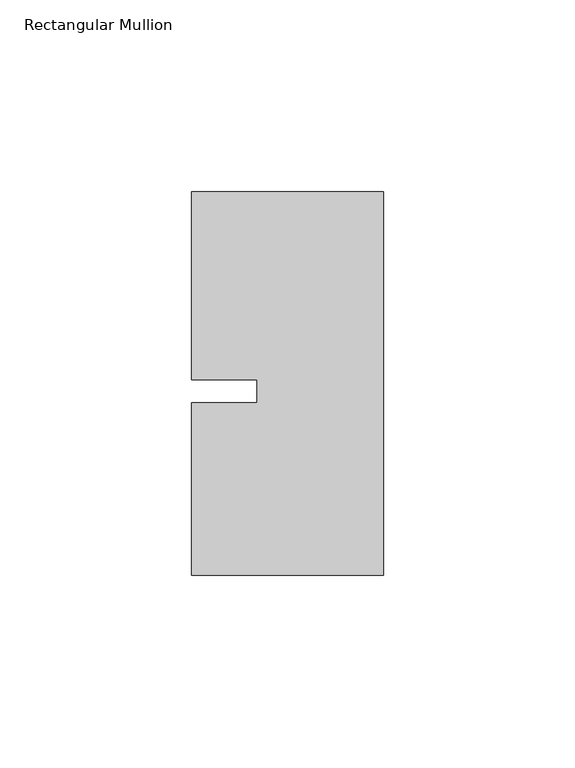
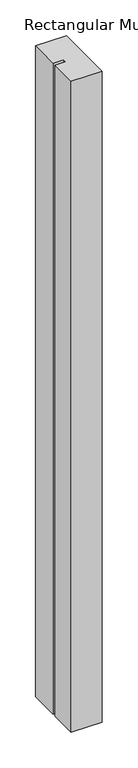
"""IFC4 building model written with IfcOpenShell, lengths in millimetres: member geometry, Rectangular Mullion."""

import ifcopenshell
import ifcopenshell.guid

model = None  # the IFC model being written
_history = None  # IfcOwnerHistory: only IFC2X3 demands one
_inside = {}  # id of a spatial element -> (the spatial element, [elements in it])
_under = {}  # id of a project, library or spatial element -> (it, [spatial elements below it])
_declared = {}  # id of a project -> (the project, [libraries it declares])
_typed = {}  # id of a type object -> (the type object, [elements of that type])
_made_of = {}  # id of a material, layer set ... -> (it, [elements and type objects made of it])


def new_model(schema):
    """Start an empty IFC model of exactly this schema.

    Asked for "IFC4X3", IfcOpenShell would pick the latest addendum, in which some entities
    have other attributes; the version numbers below select the first issue.
    IFC2X3 requires an IfcOwnerHistory on every rooted entity: one is made here for all.
    """
    global model, _history
    if schema == "IFC4X3":
        model = ifcopenshell.file(schema_version=(4, 3, 0, 0))
    else:
        model = ifcopenshell.file(schema=schema)
    _inside.clear()
    _under.clear()
    _declared.clear()
    _typed.clear()
    _made_of.clear()
    _history = None
    if model.schema == "IFC2X3":
        org = make("IfcOrganization", Name="unknown")
        user = make(
            "IfcPersonAndOrganization",
            ThePerson=make("IfcPerson", FamilyName="unknown"),
            TheOrganization=org,
        )
        app = make(
            "IfcApplication",
            ApplicationDeveloper=org,
            Version="unknown",
            ApplicationFullName="unknown",
            ApplicationIdentifier="unknown",
        )
        _history = make(
            "IfcOwnerHistory",
            OwningUser=user,
            OwningApplication=app,
            ChangeAction="ADDED",
            CreationDate=0,
        )
    return model


def make(cls, **values):
    """One entity of the class cls with the attributes given. An attribute that is None is left unset."""
    return model.create_entity(
        cls, **{name: value for name, value in values.items() if value is not None}
    )


def rooted(cls, **values):
    """An entity with a GlobalId (a new one), such as an element, a storey or a relation."""
    return make(cls, GlobalId=ifcopenshell.guid.new(), OwnerHistory=_history, **values)


def si_unit(unit_type, name, prefix=None):
    """IfcSIUnit, for example si_unit("LENGTHUNIT", "METRE", prefix="MILLI")."""
    return make("IfcSIUnit", UnitType=unit_type, Prefix=prefix, Name=name)


def assignment(units):
    """IfcUnitAssignment: the units of a project."""
    return None if units is None else make("IfcUnitAssignment", Units=units)


def point(xyz):
    """IfcCartesianPoint."""
    return None if xyz is None else make("IfcCartesianPoint", Coordinates=xyz)


def direction(xyz):
    """IfcDirection."""
    return None if xyz is None else make("IfcDirection", DirectionRatios=xyz)


def frame(location, z_axis=None, x_axis=None):
    """IfcAxis2Placement3D, a coordinate frame: its origin and axes. An axis left out is left unset."""
    return make(
        "IfcAxis2Placement3D",
        Location=point(location),
        Axis=direction(z_axis),
        RefDirection=direction(x_axis),
    )


def origin():
    """The frame at (0, 0, 0) with its axes left unset."""
    return frame((0.0, 0.0, 0.0))


def place(relative_to, where):
    """IfcLocalPlacement: puts the frame where relative to a parent placement (None: the world)."""
    return make(
        "IfcLocalPlacement", PlacementRelTo=relative_to, RelativePlacement=where
    )


def context(
    kind, dimensions, precision=None, world=None, true_north=None, identifier=None
):
    """IfcGeometricRepresentationContext, for example the 3D "Model" context."""
    return make(
        "IfcGeometricRepresentationContext",
        ContextIdentifier=identifier,
        ContextType=kind,
        CoordinateSpaceDimension=dimensions,
        Precision=precision,
        WorldCoordinateSystem=world,
        TrueNorth=true_north,
    )


def project(units=None, contexts=None):
    """IfcProject with its units and contexts."""
    return rooted(
        "IfcProject",
        Name="project",
        RepresentationContexts=contexts,
        UnitsInContext=assignment(units),
    )


def spatial(cls, under=None, at=None, **own):
    """A site, building, storey or space (cls), placed at a placement, below another one or the project."""
    s = rooted(cls, ObjectPlacement=at, **own)
    if under is not None:
        _under.setdefault(under.id(), (under, []))[1].append(s)
    return s


def polyline(points):
    """IfcPolyline through the points."""
    return make("IfcPolyline", Points=[point(p) for p in points])


def outline(outer, holes=None, kind="AREA"):
    """IfcArbitraryClosedProfileDef: a profile drawn as a closed curve; with holes, ...WithVoids."""
    if holes is None:
        return make("IfcArbitraryClosedProfileDef", ProfileType=kind, OuterCurve=outer)
    return make(
        "IfcArbitraryProfileDefWithVoids",
        ProfileType=kind,
        OuterCurve=outer,
        InnerCurves=holes,
    )


def extrude(swept, where, along, depth):
    """IfcExtrudedAreaSolid: the profile swept, set in the frame where, extruded along a direction by depth."""
    return make(
        "IfcExtrudedAreaSolid",
        SweptArea=swept,
        Position=where,
        ExtrudedDirection=direction(along),
        Depth=depth,
    )


def shape(context_of_items, identifier, shape_type, items):
    """IfcShapeRepresentation: the items that make up one representation, for example the "Body"."""
    return make(
        "IfcShapeRepresentation",
        ContextOfItems=context_of_items,
        RepresentationIdentifier=identifier,
        RepresentationType=shape_type,
        Items=items,
    )


def source(mapping_origin, context_of_items, identifier, shape_type, items):
    """IfcRepresentationMap: a shape defined once, which mapped items show again and again."""
    return make(
        "IfcRepresentationMap",
        MappingOrigin=mapping_origin,
        MappedRepresentation=shape(context_of_items, identifier, shape_type, items),
    )


def transform(
    local_origin,
    x_axis=None,
    y_axis=None,
    z_axis=None,
    scale=None,
    scale2=None,
    scale3=None,
    uniform=True,
):
    """IfcCartesianTransformationOperator3D, or its non-uniform kind. x_axis, y_axis, z_axis: its Axis1, 2, 3."""
    if uniform:
        return make(
            "IfcCartesianTransformationOperator3D",
            Axis1=direction(x_axis),
            Axis2=direction(y_axis),
            LocalOrigin=point(local_origin),
            Scale=scale,
            Axis3=direction(z_axis),
        )
    return make(
        "IfcCartesianTransformationOperator3DnonUniform",
        Axis1=direction(x_axis),
        Axis2=direction(y_axis),
        LocalOrigin=point(local_origin),
        Scale=scale,
        Axis3=direction(z_axis),
        Scale2=scale2,
        Scale3=scale3,
    )


def mapped(mapping_source, mapping_target):
    """IfcMappedItem: shows the shape of a source again, moved by a transform."""
    return make(
        "IfcMappedItem", MappingSource=mapping_source, MappingTarget=mapping_target
    )


def made_of(thing, what):
    """Note that an element or type object is made of a material, layer set ...; save() writes the relation."""
    if what is not None:
        _made_of.setdefault(what.id(), (what, []))[1].append(thing)
    return thing


def element(
    cls,
    number,
    at=None,
    inside=None,
    cuts=None,
    type_object=None,
    material=None,
    context=None,
    identifier="Body",
    shape_type=None,
    held_by="IfcProductDefinitionShape",
    body=None,
    shapes=None,
    **own,
):
    """One element of the class cls, such as IfcWall. Its Tag is "e" and its number.

    at: its placement. inside: the storey or other place that contains it. cuts: it is an
    opening in that element (IfcRelVoidsElement). A single representation is given by context,
    identifier, shape_type and body (its items); several are given by shapes. held_by: the class
    of the entity that holds the representations. save() writes the other relations.
    """
    e = rooted(cls, Tag="e%d" % number, ObjectPlacement=at, **own)
    if body is not None:
        shapes = [shape(context, identifier, shape_type, body)]
    if shapes is not None:
        e.Representation = make(held_by, Representations=shapes)
    if inside is not None:
        _inside.setdefault(inside.id(), (inside, []))[1].append(e)
    if cuts is not None:
        rooted(
            "IfcRelVoidsElement", RelatingBuildingElement=cuts, RelatedOpeningElement=e
        )
    if type_object is not None:
        _typed.setdefault(type_object.id(), (type_object, []))[1].append(e)
    return made_of(e, material)


def aggregate(whole, parts):
    """IfcRelAggregates: a whole, such as a stair, and the parts it consists of."""
    return rooted("IfcRelAggregates", RelatingObject=whole, RelatedObjects=parts)


def save(model, path):
    """Write the relations noted so far, then the file.

    IfcRelAggregates (storeys below a building ...), IfcRelContainedInSpatialStructure (elements
    in a storey), IfcRelDefinesByType, IfcRelAssociatesMaterial and IfcRelDeclares: one each for
    every whole, place, type object, material and project.
    """
    for whole, parts in _under.values():
        aggregate(whole, parts)
    for where, things in _inside.values():
        rooted(
            "IfcRelContainedInSpatialStructure",
            RelatedElements=things,
            RelatingStructure=where,
        )
    for kind, things in _typed.values():
        rooted("IfcRelDefinesByType", RelatedObjects=things, RelatingType=kind)
    for what, things in _made_of.values():
        rooted("IfcRelAssociatesMaterial", RelatedObjects=things, RelatingMaterial=what)
    for by, libraries in _declared.values():
        rooted("IfcRelDeclares", RelatingContext=by, RelatedDefinitions=libraries)
    model.write(path)


def rectangular_mullion_0538b46c(model_context):
    return source(origin(), model_context, "Body", "SweptSolid", [
        extrude(outline(polyline([(-33.0004407, -3.0000086), (-33.0004379, 3.0000086), (-49.9999762, 3.0000166), (-49.9999534, 51.9999993), (0.0, 51.9999711), (0.0, -48.000024), (-50.0, -48.0000007), (-49.999979, -3.0000007), (-33.0004407, -3.0000086)])), frame((0.0, 0.0, -1112.4999877), z_axis=(0.0, 0.0, 1.0), x_axis=(1.0, 0.0, 0.0)), (0.0, 0.0, 1.0), 1112.4999877),
    ])


if __name__ == "__main__":
    model = new_model("IFC4")
    model_context = context("Model", 3, world=origin())
    ifc_project = project(units=[si_unit("LENGTHUNIT", "METRE", prefix="MILLI")], contexts=[model_context])
    site = spatial("IfcSite", under=ifc_project)
    building = spatial("IfcBuilding", under=site)
    placement = place(None, origin())
    rectangular_mullion_shape = rectangular_mullion_0538b46c(model_context)
    element("IfcMember", 1, ObjectType="Rectangular Mullion", at=placement, inside=building, context=model_context, shape_type="MappedRepresentation", body=[
        mapped(rectangular_mullion_shape, transform((0.0, 0.0, 0.0), x_axis=(1.0, 0.0, 0.0), y_axis=(0.0, 1.0, 0.0), z_axis=(0.0, 0.0, 1.0))),
    ])
    save(model, "model.ifc")
